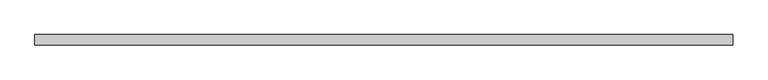
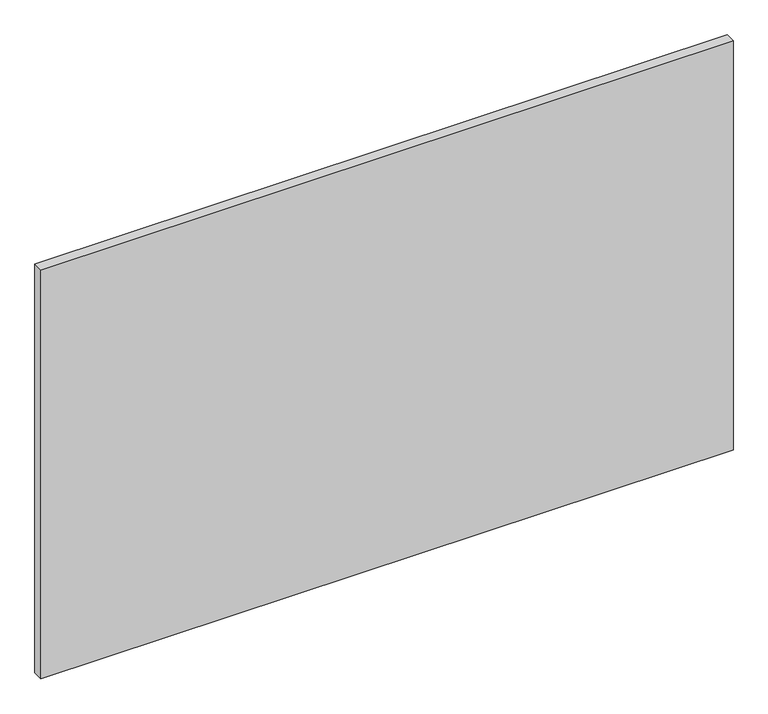
"""IFC4 building model written with IfcOpenShell, lengths in millimetres: proxy geometry."""

from ifc_helpers import new_model, si_unit, frame, origin, place, context, project, spatial, polyline, outline, extrude, source, transform, mapped, element, save


def specialty_equipment_44d87119(model_context):
    return source(origin(), model_context, "Body", "SweptSolid", [
        extrude(outline(polyline([(639.4749999, 0.0), (639.4749999, -19.05), (-639.4749999, -19.05), (-639.4749999, 0.0), (639.4749999, 0.0)])), frame((0.0, 0.0, 3.175), z_axis=(0.0, 0.0, 1.0), x_axis=(1.0, 0.0, 0.0)), (0.0, 0.0, 1.0), 799.2618001),
    ])


if __name__ == "__main__":
    model = new_model("IFC4")
    model_context = context("Model", 3, world=origin())
    ifc_project = project(units=[si_unit("LENGTHUNIT", "METRE", prefix="MILLI")], contexts=[model_context])
    site = spatial("IfcSite", under=ifc_project)
    building = spatial("IfcBuilding", under=site)
    placement = place(None, origin())
    specialty_equipment_shape = specialty_equipment_44d87119(model_context)
    element("IfcBuildingElementProxy", 1, Name="Specialty Equipment", at=placement, inside=building, context=model_context, shape_type="MappedRepresentation", body=[
        mapped(specialty_equipment_shape, transform((0.0, 0.0, 0.0), x_axis=(1.0, 0.0, 0.0), y_axis=(0.0, 1.0, 0.0), z_axis=(0.0, 0.0, 1.0))),
    ])
    save(model, "model.ifc")
